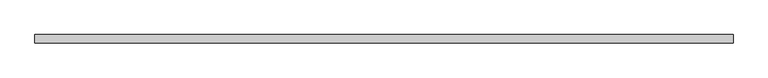
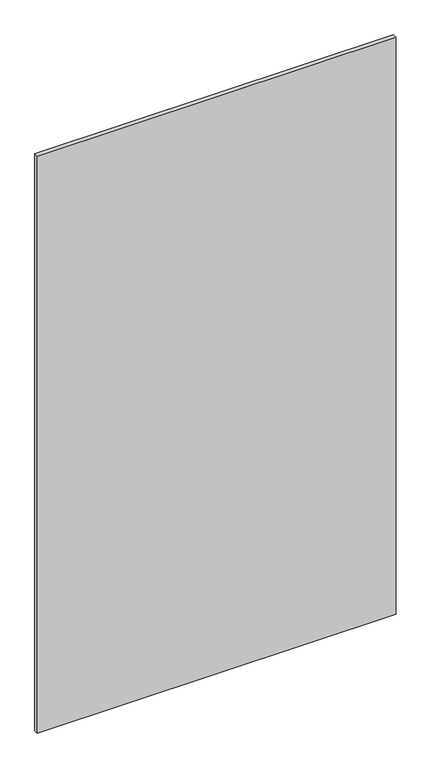
"""IFC4 building model written with IfcOpenShell, lengths in millimetres: plate geometry."""

from ifc_helpers import new_model, si_unit, frame, origin, place, context, project, spatial, polyline, outline, extrude, source, transform, mapped, element, save


def plate_3b817d40(model_context):
    return source(origin(), model_context, "Body", "SweptSolid", [
        extrude(outline(polyline([(600.0750002, -98.425), (600.0750002, -112.7125), (-596.9000002, -112.7125), (-596.9000002, -98.425), (600.0750002, -98.425)])), frame((0.0, 0.0, 98.425), z_axis=(0.0, 0.0, 1.0), x_axis=(1.0, 0.0, 0.0)), (0.0, 0.0, 1.0), 2035.175),
    ])


if __name__ == "__main__":
    model = new_model("IFC4")
    model_context = context("Model", 3, world=origin())
    ifc_project = project(units=[si_unit("LENGTHUNIT", "METRE", prefix="MILLI")], contexts=[model_context])
    site = spatial("IfcSite", under=ifc_project)
    building = spatial("IfcBuilding", under=site)
    placement = place(None, origin())
    plate_shape = plate_3b817d40(model_context)
    element("IfcPlate", 1, at=placement, inside=building, context=model_context, shape_type="MappedRepresentation", body=[
        mapped(plate_shape, transform((0.0, 0.0, 0.0), x_axis=(1.0, 0.0, 0.0), y_axis=(0.0, 1.0, 0.0), z_axis=(0.0, 0.0, 1.0))),
    ])
    save(model, "model.ifc")
